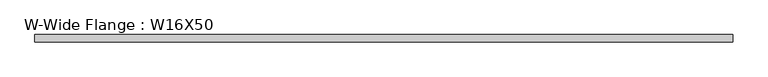
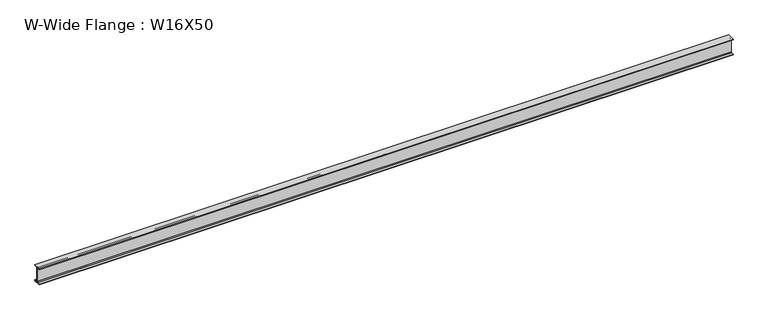
"""IFC4 building model written with IfcOpenShell, lengths in millimetres: beam geometry, W-Wide Flange : W16X50."""

import ifcopenshell
import ifcopenshell.guid

model = None  # the IFC model being written
_history = None  # IfcOwnerHistory: only IFC2X3 demands one
_inside = {}  # id of a spatial element -> (the spatial element, [elements in it])
_under = {}  # id of a project, library or spatial element -> (it, [spatial elements below it])
_declared = {}  # id of a project -> (the project, [libraries it declares])
_typed = {}  # id of a type object -> (the type object, [elements of that type])
_made_of = {}  # id of a material, layer set ... -> (it, [elements and type objects made of it])


def new_model(schema):
    """Start an empty IFC model of exactly this schema.

    Asked for "IFC4X3", IfcOpenShell would pick the latest addendum, in which some entities
    have other attributes; the version numbers below select the first issue.
    IFC2X3 requires an IfcOwnerHistory on every rooted entity: one is made here for all.
    """
    global model, _history
    if schema == "IFC4X3":
        model = ifcopenshell.file(schema_version=(4, 3, 0, 0))
    else:
        model = ifcopenshell.file(schema=schema)
    _inside.clear()
    _under.clear()
    _declared.clear()
    _typed.clear()
    _made_of.clear()
    _history = None
    if model.schema == "IFC2X3":
        org = make("IfcOrganization", Name="unknown")
        user = make(
            "IfcPersonAndOrganization",
            ThePerson=make("IfcPerson", FamilyName="unknown"),
            TheOrganization=org,
        )
        app = make(
            "IfcApplication",
            ApplicationDeveloper=org,
            Version="unknown",
            ApplicationFullName="unknown",
            ApplicationIdentifier="unknown",
        )
        _history = make(
            "IfcOwnerHistory",
            OwningUser=user,
            OwningApplication=app,
            ChangeAction="ADDED",
            CreationDate=0,
        )
    return model


def make(cls, **values):
    """One entity of the class cls with the attributes given. An attribute that is None is left unset."""
    return model.create_entity(
        cls, **{name: value for name, value in values.items() if value is not None}
    )


def rooted(cls, **values):
    """An entity with a GlobalId (a new one), such as an element, a storey or a relation."""
    return make(cls, GlobalId=ifcopenshell.guid.new(), OwnerHistory=_history, **values)


def si_unit(unit_type, name, prefix=None):
    """IfcSIUnit, for example si_unit("LENGTHUNIT", "METRE", prefix="MILLI")."""
    return make("IfcSIUnit", UnitType=unit_type, Prefix=prefix, Name=name)


def assignment(units):
    """IfcUnitAssignment: the units of a project."""
    return None if units is None else make("IfcUnitAssignment", Units=units)


def point(xyz):
    """IfcCartesianPoint."""
    return None if xyz is None else make("IfcCartesianPoint", Coordinates=xyz)


def direction(xyz):
    """IfcDirection."""
    return None if xyz is None else make("IfcDirection", DirectionRatios=xyz)


def frame(location, z_axis=None, x_axis=None):
    """IfcAxis2Placement3D, a coordinate frame: its origin and axes. An axis left out is left unset."""
    return make(
        "IfcAxis2Placement3D",
        Location=point(location),
        Axis=direction(z_axis),
        RefDirection=direction(x_axis),
    )


def frame_2d(location, x_axis=None):
    """IfcAxis2Placement2D, a coordinate frame in the plane: its origin and x axis."""
    return make(
        "IfcAxis2Placement2D", Location=point(location), RefDirection=direction(x_axis)
    )


def origin():
    """The frame at (0, 0, 0) with its axes left unset."""
    return frame((0.0, 0.0, 0.0))


def place(relative_to, where):
    """IfcLocalPlacement: puts the frame where relative to a parent placement (None: the world)."""
    return make(
        "IfcLocalPlacement", PlacementRelTo=relative_to, RelativePlacement=where
    )


def context(
    kind, dimensions, precision=None, world=None, true_north=None, identifier=None
):
    """IfcGeometricRepresentationContext, for example the 3D "Model" context."""
    return make(
        "IfcGeometricRepresentationContext",
        ContextIdentifier=identifier,
        ContextType=kind,
        CoordinateSpaceDimension=dimensions,
        Precision=precision,
        WorldCoordinateSystem=world,
        TrueNorth=true_north,
    )


def project(units=None, contexts=None):
    """IfcProject with its units and contexts."""
    return rooted(
        "IfcProject",
        Name="project",
        RepresentationContexts=contexts,
        UnitsInContext=assignment(units),
    )


def spatial(cls, under=None, at=None, **own):
    """A site, building, storey or space (cls), placed at a placement, below another one or the project."""
    s = rooted(cls, ObjectPlacement=at, **own)
    if under is not None:
        _under.setdefault(under.id(), (under, []))[1].append(s)
    return s


def polyline(points):
    """IfcPolyline through the points."""
    return make("IfcPolyline", Points=[point(p) for p in points])


def circle_curve(where, radius):
    """IfcCircle in the frame where."""
    return make("IfcCircle", Position=where, Radius=radius)


def trimmed(basis, trim1, trim2, sense, master):
    """IfcTrimmedCurve: the piece of a basis curve between two trims."""
    return make(
        "IfcTrimmedCurve",
        BasisCurve=basis,
        Trim1=trim1,
        Trim2=trim2,
        SenseAgreement=sense,
        MasterRepresentation=master,
    )


def segment(curve, same_sense, transition):
    """IfcCompositeCurveSegment."""
    return make(
        "IfcCompositeCurveSegment",
        Transition=transition,
        SameSense=same_sense,
        ParentCurve=curve,
    )


def composite_curve(segments, self_intersect=None):
    """IfcCompositeCurve: segments joined end to end."""
    return make("IfcCompositeCurve", Segments=segments, SelfIntersect=self_intersect)


def outline(outer, holes=None, kind="AREA"):
    """IfcArbitraryClosedProfileDef: a profile drawn as a closed curve; with holes, ...WithVoids."""
    if holes is None:
        return make("IfcArbitraryClosedProfileDef", ProfileType=kind, OuterCurve=outer)
    return make(
        "IfcArbitraryProfileDefWithVoids",
        ProfileType=kind,
        OuterCurve=outer,
        InnerCurves=holes,
    )


def extrude(swept, where, along, depth):
    """IfcExtrudedAreaSolid: the profile swept, set in the frame where, extruded along a direction by depth."""
    return make(
        "IfcExtrudedAreaSolid",
        SweptArea=swept,
        Position=where,
        ExtrudedDirection=direction(along),
        Depth=depth,
    )


def shape(context_of_items, identifier, shape_type, items):
    """IfcShapeRepresentation: the items that make up one representation, for example the "Body"."""
    return make(
        "IfcShapeRepresentation",
        ContextOfItems=context_of_items,
        RepresentationIdentifier=identifier,
        RepresentationType=shape_type,
        Items=items,
    )


def source(mapping_origin, context_of_items, identifier, shape_type, items):
    """IfcRepresentationMap: a shape defined once, which mapped items show again and again."""
    return make(
        "IfcRepresentationMap",
        MappingOrigin=mapping_origin,
        MappedRepresentation=shape(context_of_items, identifier, shape_type, items),
    )


def transform(
    local_origin,
    x_axis=None,
    y_axis=None,
    z_axis=None,
    scale=None,
    scale2=None,
    scale3=None,
    uniform=True,
):
    """IfcCartesianTransformationOperator3D, or its non-uniform kind. x_axis, y_axis, z_axis: its Axis1, 2, 3."""
    if uniform:
        return make(
            "IfcCartesianTransformationOperator3D",
            Axis1=direction(x_axis),
            Axis2=direction(y_axis),
            LocalOrigin=point(local_origin),
            Scale=scale,
            Axis3=direction(z_axis),
        )
    return make(
        "IfcCartesianTransformationOperator3DnonUniform",
        Axis1=direction(x_axis),
        Axis2=direction(y_axis),
        LocalOrigin=point(local_origin),
        Scale=scale,
        Axis3=direction(z_axis),
        Scale2=scale2,
        Scale3=scale3,
    )


def mapped(mapping_source, mapping_target):
    """IfcMappedItem: shows the shape of a source again, moved by a transform."""
    return make(
        "IfcMappedItem", MappingSource=mapping_source, MappingTarget=mapping_target
    )


def made_of(thing, what):
    """Note that an element or type object is made of a material, layer set ...; save() writes the relation."""
    if what is not None:
        _made_of.setdefault(what.id(), (what, []))[1].append(thing)
    return thing


def element(
    cls,
    number,
    at=None,
    inside=None,
    cuts=None,
    type_object=None,
    material=None,
    context=None,
    identifier="Body",
    shape_type=None,
    held_by="IfcProductDefinitionShape",
    body=None,
    shapes=None,
    **own,
):
    """One element of the class cls, such as IfcWall. Its Tag is "e" and its number.

    at: its placement. inside: the storey or other place that contains it. cuts: it is an
    opening in that element (IfcRelVoidsElement). A single representation is given by context,
    identifier, shape_type and body (its items); several are given by shapes. held_by: the class
    of the entity that holds the representations. save() writes the other relations.
    """
    e = rooted(cls, Tag="e%d" % number, ObjectPlacement=at, **own)
    if body is not None:
        shapes = [shape(context, identifier, shape_type, body)]
    if shapes is not None:
        e.Representation = make(held_by, Representations=shapes)
    if inside is not None:
        _inside.setdefault(inside.id(), (inside, []))[1].append(e)
    if cuts is not None:
        rooted(
            "IfcRelVoidsElement", RelatingBuildingElement=cuts, RelatedOpeningElement=e
        )
    if type_object is not None:
        _typed.setdefault(type_object.id(), (type_object, []))[1].append(e)
    return made_of(e, material)


def aggregate(whole, parts):
    """IfcRelAggregates: a whole, such as a stair, and the parts it consists of."""
    return rooted("IfcRelAggregates", RelatingObject=whole, RelatedObjects=parts)


def save(model, path):
    """Write the relations noted so far, then the file.

    IfcRelAggregates (storeys below a building ...), IfcRelContainedInSpatialStructure (elements
    in a storey), IfcRelDefinesByType, IfcRelAssociatesMaterial and IfcRelDeclares: one each for
    every whole, place, type object, material and project.
    """
    for whole, parts in _under.values():
        aggregate(whole, parts)
    for where, things in _inside.values():
        rooted(
            "IfcRelContainedInSpatialStructure",
            RelatedElements=things,
            RelatingStructure=where,
        )
    for kind, things in _typed.values():
        rooted("IfcRelDefinesByType", RelatedObjects=things, RelatingType=kind)
    for what, things in _made_of.values():
        rooted("IfcRelAssociatesMaterial", RelatedObjects=things, RelatingMaterial=what)
    for by, libraries in _declared.values():
        rooted("IfcRelDeclares", RelatingContext=by, RelatedDefinitions=libraries)
    model.write(path)


def w_wide_flange_w16x50_fb78ba29(model_context):
    return source(origin(), model_context, "Body", "SweptSolid", [
        extrude(outline(composite_curve([segment(polyline([(89.8, -191.0), (89.8, -207.0), (-89.8, -207.0), (-89.8, -191.0), (-22.15, -191.0)]), True, "CONTINUOUS"), segment(trimmed(circle_curve(frame_2d((-22.15, -173.7)), 17.3), [point((-22.15, -191.0))], [point((-4.85, -173.7))], True, "CARTESIAN"), True, "CONTINUOUS"), segment(polyline([(-4.85, -173.7), (-4.85, 173.7)]), True, "CONTINUOUS"), segment(trimmed(circle_curve(frame_2d((-22.15, 173.7)), 17.3), [point((-4.85, 173.7))], [point((-22.15, 191.0))], True, "CARTESIAN"), True, "CONTINUOUS"), segment(polyline([(-22.15, 191.0), (-89.8, 191.0), (-89.8, 207.0), (89.8, 207.0), (89.8, 191.0), (22.15, 191.0)]), True, "CONTINUOUS"), segment(trimmed(circle_curve(frame_2d((22.15, 173.7)), 17.3), [point((22.15, 191.0))], [point((4.85, 173.7))], True, "CARTESIAN"), True, "CONTINUOUS"), segment(polyline([(4.85, 173.7), (4.85, -173.7)]), True, "CONTINUOUS"), segment(trimmed(circle_curve(frame_2d((22.15, -173.7)), 17.3), [point((4.85, -173.7))], [point((22.15, -191.0))], True, "CARTESIAN"), True, "CONTINUOUS"), segment(polyline([(22.15, -191.0), (89.8, -191.0)]), True, "CONTINUOUS")], self_intersect=False)), frame((-5139.3694452, 0.0, 0.0), z_axis=(1.0, 0.0, 0.0), x_axis=(0.0, 1.0, 0.0)), (0.0, 0.0, 1.0), 17157.991389),
    ])


if __name__ == "__main__":
    model = new_model("IFC4")
    model_context = context("Model", 3, world=origin())
    ifc_project = project(units=[si_unit("LENGTHUNIT", "METRE", prefix="MILLI")], contexts=[model_context])
    site = spatial("IfcSite", under=ifc_project)
    building = spatial("IfcBuilding", under=site)
    placement = place(None, origin())
    w_wide_flange_w16x50_shape = w_wide_flange_w16x50_fb78ba29(model_context)
    element("IfcBeam", 1, ObjectType="W-Wide Flange : W16X50", at=placement, inside=building, context=model_context, shape_type="MappedRepresentation", body=[
        mapped(w_wide_flange_w16x50_shape, transform((0.0, 0.0, 0.0), x_axis=(1.0, 0.0, 0.0), y_axis=(0.0, 1.0, 0.0), z_axis=(0.0, 0.0, 1.0))),
    ])
    save(model, "model.ifc")
